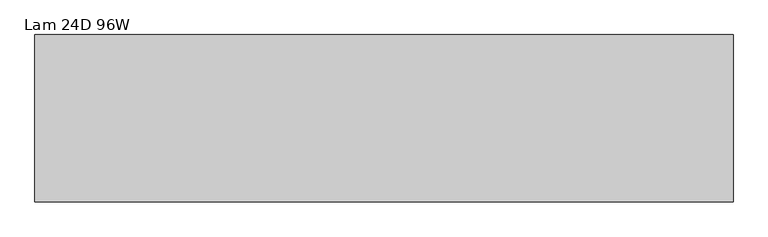
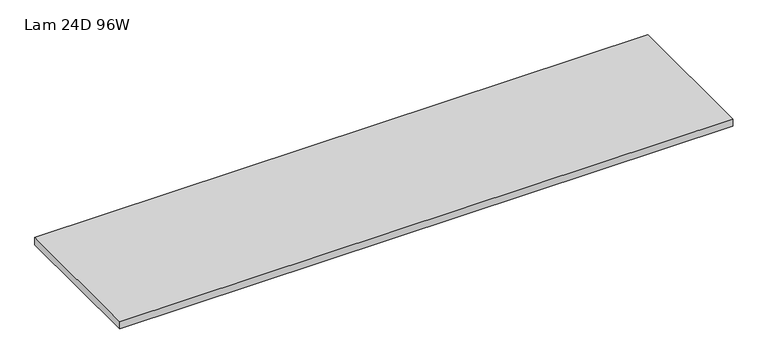
"""IFC4 building model written with IfcOpenShell, lengths in millimetres: furniture geometry, Lam 24D 96W."""

import ifcopenshell
import ifcopenshell.guid

model = None  # the IFC model being written
_history = None  # IfcOwnerHistory: only IFC2X3 demands one
_inside = {}  # id of a spatial element -> (the spatial element, [elements in it])
_under = {}  # id of a project, library or spatial element -> (it, [spatial elements below it])
_declared = {}  # id of a project -> (the project, [libraries it declares])
_typed = {}  # id of a type object -> (the type object, [elements of that type])
_made_of = {}  # id of a material, layer set ... -> (it, [elements and type objects made of it])


def new_model(schema):
    """Start an empty IFC model of exactly this schema.

    Asked for "IFC4X3", IfcOpenShell would pick the latest addendum, in which some entities
    have other attributes; the version numbers below select the first issue.
    IFC2X3 requires an IfcOwnerHistory on every rooted entity: one is made here for all.
    """
    global model, _history
    if schema == "IFC4X3":
        model = ifcopenshell.file(schema_version=(4, 3, 0, 0))
    else:
        model = ifcopenshell.file(schema=schema)
    _inside.clear()
    _under.clear()
    _declared.clear()
    _typed.clear()
    _made_of.clear()
    _history = None
    if model.schema == "IFC2X3":
        org = make("IfcOrganization", Name="unknown")
        user = make(
            "IfcPersonAndOrganization",
            ThePerson=make("IfcPerson", FamilyName="unknown"),
            TheOrganization=org,
        )
        app = make(
            "IfcApplication",
            ApplicationDeveloper=org,
            Version="unknown",
            ApplicationFullName="unknown",
            ApplicationIdentifier="unknown",
        )
        _history = make(
            "IfcOwnerHistory",
            OwningUser=user,
            OwningApplication=app,
            ChangeAction="ADDED",
            CreationDate=0,
        )
    return model


def make(cls, **values):
    """One entity of the class cls with the attributes given. An attribute that is None is left unset."""
    return model.create_entity(
        cls, **{name: value for name, value in values.items() if value is not None}
    )


def rooted(cls, **values):
    """An entity with a GlobalId (a new one), such as an element, a storey or a relation."""
    return make(cls, GlobalId=ifcopenshell.guid.new(), OwnerHistory=_history, **values)


def si_unit(unit_type, name, prefix=None):
    """IfcSIUnit, for example si_unit("LENGTHUNIT", "METRE", prefix="MILLI")."""
    return make("IfcSIUnit", UnitType=unit_type, Prefix=prefix, Name=name)


def assignment(units):
    """IfcUnitAssignment: the units of a project."""
    return None if units is None else make("IfcUnitAssignment", Units=units)


def point(xyz):
    """IfcCartesianPoint."""
    return None if xyz is None else make("IfcCartesianPoint", Coordinates=xyz)


def direction(xyz):
    """IfcDirection."""
    return None if xyz is None else make("IfcDirection", DirectionRatios=xyz)


def frame(location, z_axis=None, x_axis=None):
    """IfcAxis2Placement3D, a coordinate frame: its origin and axes. An axis left out is left unset."""
    return make(
        "IfcAxis2Placement3D",
        Location=point(location),
        Axis=direction(z_axis),
        RefDirection=direction(x_axis),
    )


def origin():
    """The frame at (0, 0, 0) with its axes left unset."""
    return frame((0.0, 0.0, 0.0))


def place(relative_to, where):
    """IfcLocalPlacement: puts the frame where relative to a parent placement (None: the world)."""
    return make(
        "IfcLocalPlacement", PlacementRelTo=relative_to, RelativePlacement=where
    )


def context(
    kind, dimensions, precision=None, world=None, true_north=None, identifier=None
):
    """IfcGeometricRepresentationContext, for example the 3D "Model" context."""
    return make(
        "IfcGeometricRepresentationContext",
        ContextIdentifier=identifier,
        ContextType=kind,
        CoordinateSpaceDimension=dimensions,
        Precision=precision,
        WorldCoordinateSystem=world,
        TrueNorth=true_north,
    )


def project(units=None, contexts=None):
    """IfcProject with its units and contexts."""
    return rooted(
        "IfcProject",
        Name="project",
        RepresentationContexts=contexts,
        UnitsInContext=assignment(units),
    )


def spatial(cls, under=None, at=None, **own):
    """A site, building, storey or space (cls), placed at a placement, below another one or the project."""
    s = rooted(cls, ObjectPlacement=at, **own)
    if under is not None:
        _under.setdefault(under.id(), (under, []))[1].append(s)
    return s


def polyline(points):
    """IfcPolyline through the points."""
    return make("IfcPolyline", Points=[point(p) for p in points])


def outline(outer, holes=None, kind="AREA"):
    """IfcArbitraryClosedProfileDef: a profile drawn as a closed curve; with holes, ...WithVoids."""
    if holes is None:
        return make("IfcArbitraryClosedProfileDef", ProfileType=kind, OuterCurve=outer)
    return make(
        "IfcArbitraryProfileDefWithVoids",
        ProfileType=kind,
        OuterCurve=outer,
        InnerCurves=holes,
    )


def extrude(swept, where, along, depth):
    """IfcExtrudedAreaSolid: the profile swept, set in the frame where, extruded along a direction by depth."""
    return make(
        "IfcExtrudedAreaSolid",
        SweptArea=swept,
        Position=where,
        ExtrudedDirection=direction(along),
        Depth=depth,
    )


def shape(context_of_items, identifier, shape_type, items):
    """IfcShapeRepresentation: the items that make up one representation, for example the "Body"."""
    return make(
        "IfcShapeRepresentation",
        ContextOfItems=context_of_items,
        RepresentationIdentifier=identifier,
        RepresentationType=shape_type,
        Items=items,
    )


def source(mapping_origin, context_of_items, identifier, shape_type, items):
    """IfcRepresentationMap: a shape defined once, which mapped items show again and again."""
    return make(
        "IfcRepresentationMap",
        MappingOrigin=mapping_origin,
        MappedRepresentation=shape(context_of_items, identifier, shape_type, items),
    )


def transform(
    local_origin,
    x_axis=None,
    y_axis=None,
    z_axis=None,
    scale=None,
    scale2=None,
    scale3=None,
    uniform=True,
):
    """IfcCartesianTransformationOperator3D, or its non-uniform kind. x_axis, y_axis, z_axis: its Axis1, 2, 3."""
    if uniform:
        return make(
            "IfcCartesianTransformationOperator3D",
            Axis1=direction(x_axis),
            Axis2=direction(y_axis),
            LocalOrigin=point(local_origin),
            Scale=scale,
            Axis3=direction(z_axis),
        )
    return make(
        "IfcCartesianTransformationOperator3DnonUniform",
        Axis1=direction(x_axis),
        Axis2=direction(y_axis),
        LocalOrigin=point(local_origin),
        Scale=scale,
        Axis3=direction(z_axis),
        Scale2=scale2,
        Scale3=scale3,
    )


def mapped(mapping_source, mapping_target):
    """IfcMappedItem: shows the shape of a source again, moved by a transform."""
    return make(
        "IfcMappedItem", MappingSource=mapping_source, MappingTarget=mapping_target
    )


def made_of(thing, what):
    """Note that an element or type object is made of a material, layer set ...; save() writes the relation."""
    if what is not None:
        _made_of.setdefault(what.id(), (what, []))[1].append(thing)
    return thing


def element(
    cls,
    number,
    at=None,
    inside=None,
    cuts=None,
    type_object=None,
    material=None,
    context=None,
    identifier="Body",
    shape_type=None,
    held_by="IfcProductDefinitionShape",
    body=None,
    shapes=None,
    **own,
):
    """One element of the class cls, such as IfcWall. Its Tag is "e" and its number.

    at: its placement. inside: the storey or other place that contains it. cuts: it is an
    opening in that element (IfcRelVoidsElement). A single representation is given by context,
    identifier, shape_type and body (its items); several are given by shapes. held_by: the class
    of the entity that holds the representations. save() writes the other relations.
    """
    e = rooted(cls, Tag="e%d" % number, ObjectPlacement=at, **own)
    if body is not None:
        shapes = [shape(context, identifier, shape_type, body)]
    if shapes is not None:
        e.Representation = make(held_by, Representations=shapes)
    if inside is not None:
        _inside.setdefault(inside.id(), (inside, []))[1].append(e)
    if cuts is not None:
        rooted(
            "IfcRelVoidsElement", RelatingBuildingElement=cuts, RelatedOpeningElement=e
        )
    if type_object is not None:
        _typed.setdefault(type_object.id(), (type_object, []))[1].append(e)
    return made_of(e, material)


def aggregate(whole, parts):
    """IfcRelAggregates: a whole, such as a stair, and the parts it consists of."""
    return rooted("IfcRelAggregates", RelatingObject=whole, RelatedObjects=parts)


def save(model, path):
    """Write the relations noted so far, then the file.

    IfcRelAggregates (storeys below a building ...), IfcRelContainedInSpatialStructure (elements
    in a storey), IfcRelDefinesByType, IfcRelAssociatesMaterial and IfcRelDeclares: one each for
    every whole, place, type object, material and project.
    """
    for whole, parts in _under.values():
        aggregate(whole, parts)
    for where, things in _inside.values():
        rooted(
            "IfcRelContainedInSpatialStructure",
            RelatedElements=things,
            RelatingStructure=where,
        )
    for kind, things in _typed.values():
        rooted("IfcRelDefinesByType", RelatedObjects=things, RelatingType=kind)
    for what, things in _made_of.values():
        rooted("IfcRelAssociatesMaterial", RelatedObjects=things, RelatingMaterial=what)
    for by, libraries in _declared.values():
        rooted("IfcRelDeclares", RelatingContext=by, RelatedDefinitions=libraries)
    model.write(path)


def lam_24d_96w_d4fc3cfb(model_context):
    return source(origin(), model_context, "Body", "SweptSolid", [
        extrude(outline(polyline([(1972.7275996, 174.6914812), (-462.6244004, 174.6914812), (-462.6244004, 758.8914812), (1972.7275996, 758.8914812), (1972.7275996, 174.6914812)])), frame((0.0, 0.0, 935.3296), z_axis=(0.0, 0.0, 1.0), x_axis=(1.0, 0.0, 0.0)), (0.0, 0.0, 1.0), 29.8704),
    ])


if __name__ == "__main__":
    model = new_model("IFC4")
    model_context = context("Model", 3, world=origin())
    ifc_project = project(units=[si_unit("LENGTHUNIT", "METRE", prefix="MILLI")], contexts=[model_context])
    site = spatial("IfcSite", under=ifc_project)
    building = spatial("IfcBuilding", under=site)
    placement = place(None, origin())
    lam_24d_96w_shape = lam_24d_96w_d4fc3cfb(model_context)
    element("IfcFurniture", 1, ObjectType="Lam 24D 96W", at=placement, inside=building, context=model_context, shape_type="MappedRepresentation", body=[
        mapped(lam_24d_96w_shape, transform((0.0, 0.0, 0.0), x_axis=(1.0, 0.0, 0.0), y_axis=(0.0, 1.0, 0.0), z_axis=(0.0, 0.0, 1.0))),
    ])
    save(model, "model.ifc")
